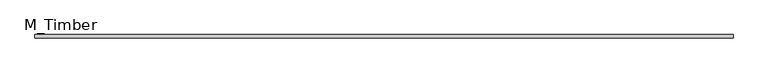
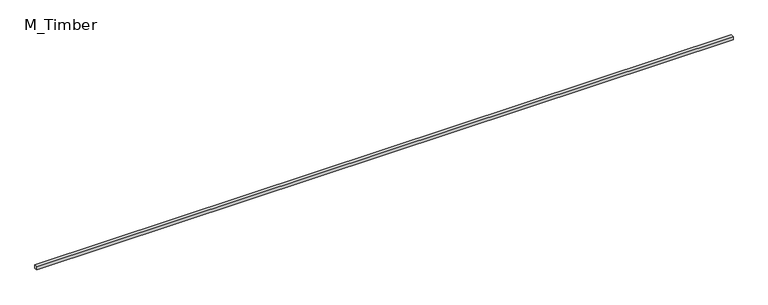
"""IFC4 building model written with IfcOpenShell, lengths in millimetres: beam geometry, M_Timber."""

from ifc_helpers import new_model, si_unit, frame, origin, place, context, project, spatial, polyline, outline, extrude, source, transform, mapped, element, save


def m_timber_9fae1359(model_context):
    return source(origin(), model_context, "Body", "SweptSolid", [
        extrude(outline(polyline([(4263.5528737, 20.0), (4263.5528737, -20.0), (-4263.5528737, -20.0), (-4263.5528737, 20.0), (4263.5528737, 20.0)])), frame((0.0, 0.0, -20.0), z_axis=(0.0, 0.0, 1.0), x_axis=(1.0, 0.0, 0.0)), (0.0, 0.0, 1.0), 40.0),
    ])


if __name__ == "__main__":
    model = new_model("IFC4")
    model_context = context("Model", 3, world=origin())
    ifc_project = project(units=[si_unit("LENGTHUNIT", "METRE", prefix="MILLI")], contexts=[model_context])
    site = spatial("IfcSite", under=ifc_project)
    building = spatial("IfcBuilding", under=site)
    placement = place(None, origin())
    m_timber_shape = m_timber_9fae1359(model_context)
    element("IfcBeam", 1, ObjectType="M_Timber", at=placement, inside=building, context=model_context, shape_type="MappedRepresentation", body=[
        mapped(m_timber_shape, transform((0.0, 0.0, 0.0), x_axis=(1.0, 0.0, 0.0), y_axis=(0.0, 1.0, 0.0), z_axis=(0.0, 0.0, 1.0))),
    ])
    save(model, "model.ifc")
